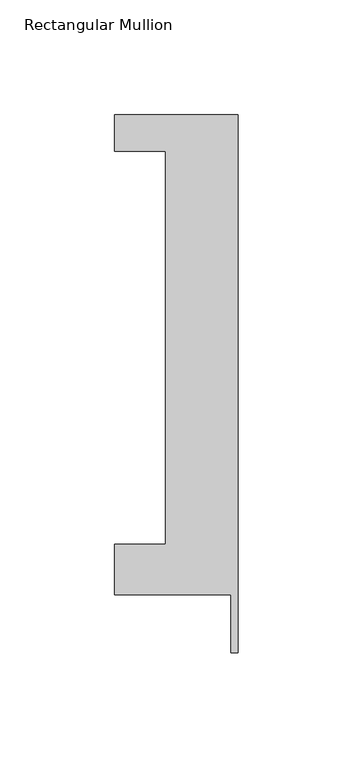
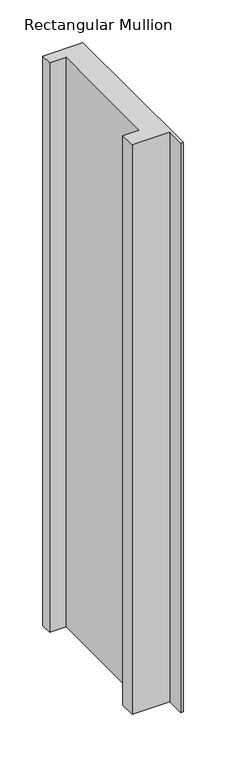
"""IFC4 building model written with IfcOpenShell, lengths in millimetres: member geometry, Rectangular Mullion."""

from ifc_helpers import new_model, si_unit, frame, origin, place, context, project, spatial, polyline, outline, extrude, source, transform, mapped, element, save


def rectangular_mullion_859cef55(model_context):
    return source(origin(), model_context, "Body", "SweptSolid", [
        extrude(outline(polyline([(-53.975, 221.996), (0.0, 221.996), (0.0, -12.7), (-3.175, -12.7), (-3.175, 12.7), (-53.975, 12.7), (-53.975, 34.671), (-31.75, 34.671), (-31.75, 206.121), (-53.975, 206.121), (-53.975, 221.996)])), frame((0.0, 0.0, -812.8), z_axis=(0.0, 0.0, 1.0), x_axis=(1.0, 0.0, 0.0)), (0.0, 0.0, 1.0), 812.8),
    ])


if __name__ == "__main__":
    model = new_model("IFC4")
    model_context = context("Model", 3, world=origin())
    ifc_project = project(units=[si_unit("LENGTHUNIT", "METRE", prefix="MILLI")], contexts=[model_context])
    site = spatial("IfcSite", under=ifc_project)
    building = spatial("IfcBuilding", under=site)
    placement = place(None, origin())
    rectangular_mullion_shape = rectangular_mullion_859cef55(model_context)
    element("IfcMember", 1, ObjectType="Rectangular Mullion", at=placement, inside=building, context=model_context, shape_type="MappedRepresentation", body=[
        mapped(rectangular_mullion_shape, transform((0.0, 0.0, 0.0), x_axis=(1.0, 0.0, 0.0), y_axis=(0.0, 1.0, 0.0), z_axis=(0.0, 0.0, 1.0))),
    ])
    save(model, "model.ifc")
